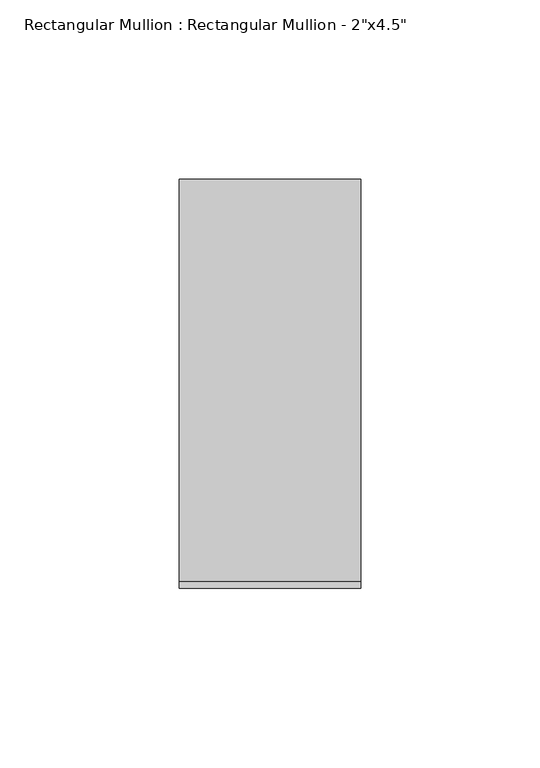
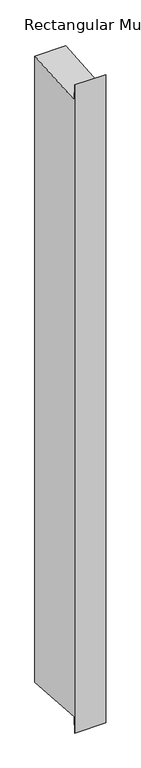
"""IFC4 building model written with IfcOpenShell, lengths in millimetres: member geometry."""

from ifc_helpers import new_model, si_unit, frame, origin, place, context, project, spatial, polyline, outline, extrude, source, transform, mapped, element, save


def member_c8b809ee(model_context):
    return source(origin(), model_context, "Body", "SweptSolid", [
        extrude(outline(polyline([(-57.15, 23.3210511), (-55.1534353, -4.0852687), (57.15, 4.096095), (57.15, -1090.1317681), (-55.1534353, -1081.9504044), (-57.15, -1109.3567242), (-57.15, 23.3210511)])), frame((-50.8, 0.0, 0.0), z_axis=(1.0, 0.0, 0.0), x_axis=(0.0, 1.0, 0.0)), (0.0, 0.0, 1.0), 50.8),
    ])


if __name__ == "__main__":
    model = new_model("IFC4")
    model_context = context("Model", 3, world=origin())
    ifc_project = project(units=[si_unit("LENGTHUNIT", "METRE", prefix="MILLI")], contexts=[model_context])
    site = spatial("IfcSite", under=ifc_project)
    building = spatial("IfcBuilding", under=site)
    placement = place(None, origin())
    member_shape = member_c8b809ee(model_context)
    element("IfcMember", 1, ObjectType="Rectangular Mullion : Rectangular Mullion - 2\"x4.5\"", at=placement, inside=building, context=model_context, shape_type="MappedRepresentation", body=[
        mapped(member_shape, transform((0.0, 0.0, 0.0), x_axis=(1.0, 0.0, 0.0), y_axis=(0.0, 1.0, 0.0), z_axis=(0.0, 0.0, 1.0))),
    ])
    save(model, "model.ifc")
